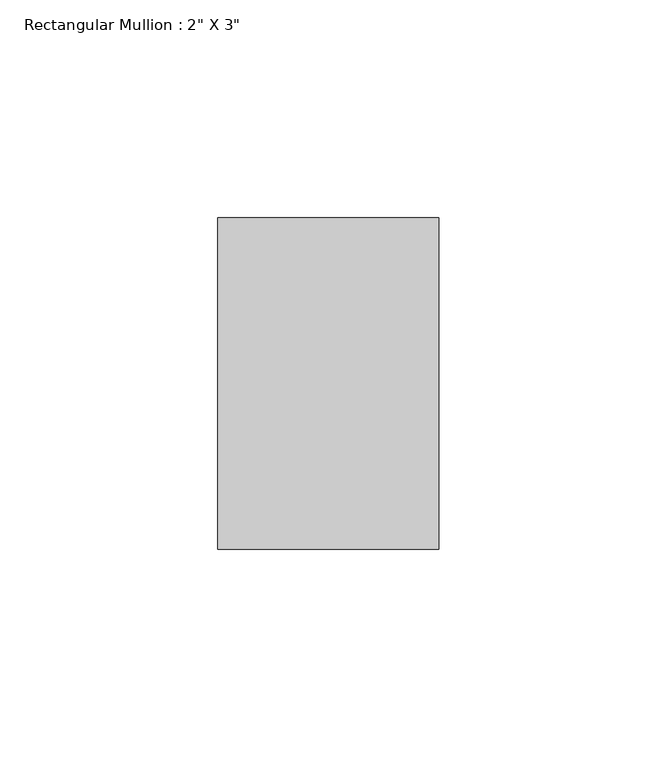
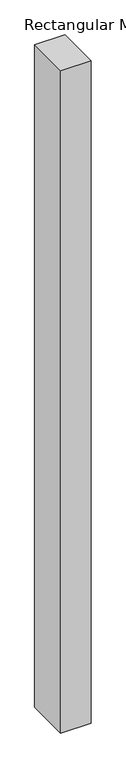
"""IFC4 building model written with IfcOpenShell, lengths in millimetres: member geometry."""

from ifc_helpers import new_model, si_unit, frame, origin, place, context, project, spatial, polyline, outline, extrude, source, transform, mapped, element, save


def member_76a48a0d(model_context):
    return source(origin(), model_context, "Body", "SweptSolid", [
        extrude(outline(polyline([(25.4, 12.7), (25.4, -63.5), (-25.4, -63.5), (-25.4, 12.7), (25.4, 12.7)])), frame((0.0, 0.0, -1181.1), z_axis=(0.0, 0.0, 1.0), x_axis=(1.0, 0.0, 0.0)), (0.0, 0.0, 1.0), 1181.1),
    ])


if __name__ == "__main__":
    model = new_model("IFC4")
    model_context = context("Model", 3, world=origin())
    ifc_project = project(units=[si_unit("LENGTHUNIT", "METRE", prefix="MILLI")], contexts=[model_context])
    site = spatial("IfcSite", under=ifc_project)
    building = spatial("IfcBuilding", under=site)
    placement = place(None, origin())
    member_shape = member_76a48a0d(model_context)
    element("IfcMember", 1, ObjectType="Rectangular Mullion : 2\" X 3\"", at=placement, inside=building, context=model_context, shape_type="MappedRepresentation", body=[
        mapped(member_shape, transform((0.0, 0.0, 0.0), x_axis=(1.0, 0.0, 0.0), y_axis=(0.0, 1.0, 0.0), z_axis=(0.0, 0.0, 1.0))),
    ])
    save(model, "model.ifc")
